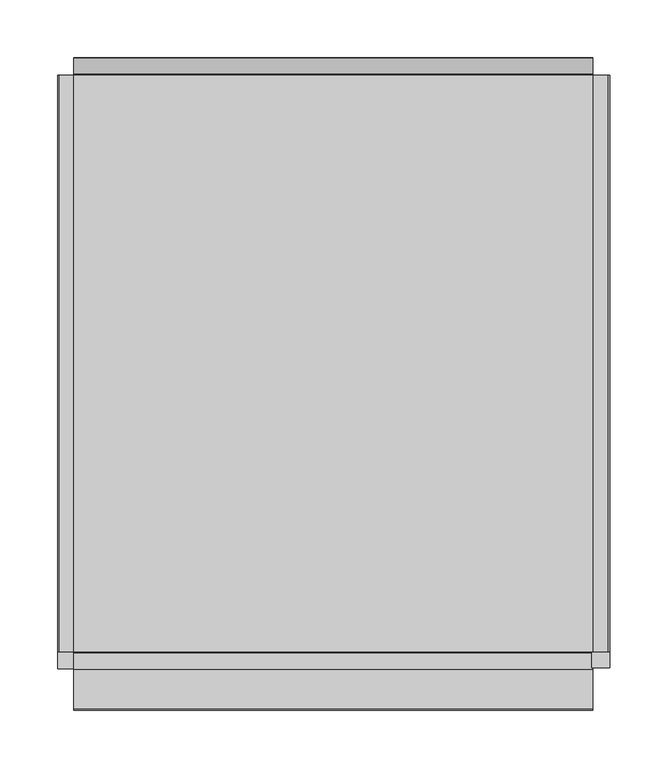
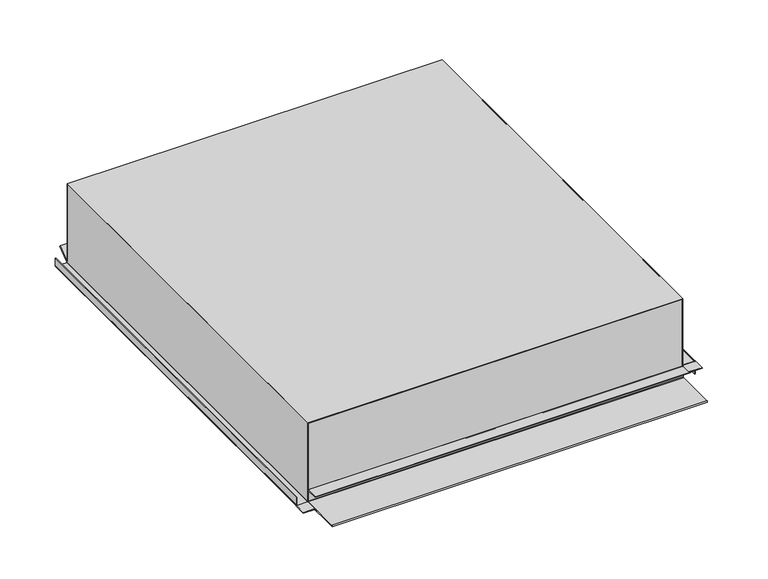
"""IFC4 building model written with IfcOpenShell, lengths in millimetres: proxy geometry."""

from ifc_helpers import new_model, si_unit, point, frame, frame_2d, origin, place, context, project, spatial, polyline, circle_curve, trimmed, segment, composite_curve, outline, extrude, faceted_brep, source, transform, mapped, element, save
from ifc_brep_helpers import plane_surface, cylinder_surface, revolved_surface, advanced_brep


def generic_models_c96e4109(model_context):
    return source(origin(), model_context, "Body", "SolidModel", [
        extrude(outline(composite_curve([segment(polyline([(0.33125, -237.7), (0.33125, -225.5)]), True, "CONTINUOUS"), segment(trimmed(circle_curve(frame_2d((1.63125, -225.5)), 1.3), [point((0.33125, -225.5))], [point((1.63125, -224.2))], False, "CARTESIAN"), True, "CONTINUOUS"), segment(polyline([(1.63125, -224.2), (100.33125, -224.2), (100.33125, -225.0), (1.63125, -225.0)]), True, "CONTINUOUS"), segment(trimmed(circle_curve(frame_2d((1.63125, -225.5)), 0.5), [point((1.63125, -225.0))], [point((1.13125, -225.5))], True, "CARTESIAN"), True, "CONTINUOUS"), segment(polyline([(1.13125, -225.5), (1.13125, -237.7)]), True, "CONTINUOUS"), segment(trimmed(circle_curve(frame_2d((1.63125, -237.7)), 0.5), [point((1.13125, -237.7))], [point((1.63125, -238.2))], True, "CARTESIAN"), True, "CONTINUOUS"), segment(polyline([(1.63125, -238.2), (11.33125, -238.2), (11.33125, -239.0), (1.63125, -239.0)]), True, "CONTINUOUS"), segment(trimmed(circle_curve(frame_2d((1.63125, -237.7)), 1.3), [point((1.63125, -239.0))], [point((0.33125, -237.7))], False, "CARTESIAN"), True, "CONTINUOUS")], self_intersect=False)), frame((0.0, -250.0, 0.0), z_axis=(0.0, 1.0, 0.0), x_axis=(0.0, 0.0, 1.0)), (0.0, 0.0, 1.0), 500.0),
        extrude(outline(polyline([(-239.0, -265.0), (-239.0, -250.0), (-224.2, -250.0), (-224.2, -265.0), (-239.0, -265.0)])), frame((0.0, 0.0, 0.33125), z_axis=(0.0, 0.0, 1.0), x_axis=(1.0, 0.0, 0.0)), (0.0, 0.0, 1.0), 0.8),
        extrude(outline(composite_curve([segment(polyline([(15.9, 225.5), (15.9, 238.7)]), True, "CONTINUOUS"), segment(trimmed(circle_curve(frame_2d((15.4, 238.7)), 0.5), [point((15.9, 238.7))], [point((15.4, 239.2))], True, "CARTESIAN"), True, "CONTINUOUS"), segment(polyline([(15.4, 239.2), (0.33125, 239.2), (0.33125, 240.0), (15.4, 240.0)]), True, "CONTINUOUS"), segment(trimmed(circle_curve(frame_2d((15.4, 238.7)), 1.3), [point((15.4, 240.0))], [point((16.7, 238.7))], False, "CARTESIAN"), True, "CONTINUOUS"), segment(polyline([(16.7, 238.7), (16.7, 225.5)]), True, "CONTINUOUS"), segment(trimmed(circle_curve(frame_2d((17.2, 225.5)), 0.5), [point((16.7, 225.5))], [point((17.2, 225.0))], True, "CARTESIAN"), True, "CONTINUOUS"), segment(polyline([(17.2, 225.0), (100.33125, 225.0), (100.33125, 224.2), (17.2, 224.2)]), True, "CONTINUOUS"), segment(trimmed(circle_curve(frame_2d((17.2, 225.5)), 1.3), [point((17.2, 224.2))], [point((15.9, 225.5))], False, "CARTESIAN"), True, "CONTINUOUS")], self_intersect=False)), frame((0.0, -250.0, 0.0), z_axis=(0.0, 1.0, 0.0), x_axis=(0.0, 0.0, 1.0)), (0.0, 0.0, 1.0), 500.0),
        extrude(outline(polyline([(240.0, -264.0), (224.2, -264.0), (224.2, -250.0), (240.0, -250.0), (240.0, -264.0)])), frame((0.0, 0.0, 15.9), z_axis=(0.0, 0.0, 1.0), x_axis=(1.0, 0.0, 0.0)), (0.0, 0.0, 1.0), 0.8),
        extrude(outline(composite_curve([segment(polyline([(-250.5, 0.0), (-300.15, 0.0)]), True, "CONTINUOUS"), segment(trimmed(circle_curve(frame_2d((-300.15, 0.85)), 0.85), [point((-300.15, 0.0))], [point((-300.15, 1.7))], False, "CARTESIAN"), True, "CONTINUOUS"), segment(polyline([(-300.15, 1.7), (-251.55, 1.7)]), True, "CONTINUOUS"), segment(trimmed(circle_curve(frame_2d((-251.55, 2.2)), 0.5), [point((-251.55, 1.7))], [point((-251.05, 2.2))], True, "CARTESIAN"), True, "CONTINUOUS"), segment(polyline([(-251.05, 2.2), (-251.05, 15.4)]), True, "CONTINUOUS"), segment(trimmed(circle_curve(frame_2d((-251.55, 15.4)), 0.5), [point((-251.05, 15.4))], [point((-251.55, 15.9))], True, "CARTESIAN"), True, "CONTINUOUS"), segment(polyline([(-251.55, 15.9), (-265.25, 15.9), (-265.25, 16.7), (-251.55, 16.7)]), True, "CONTINUOUS"), segment(trimmed(circle_curve(frame_2d((-251.55, 15.4)), 1.3), [point((-251.55, 16.7))], [point((-250.25, 15.4))], False, "CARTESIAN"), True, "CONTINUOUS"), segment(polyline([(-250.25, 15.4), (-250.25, 2.2)]), True, "CONTINUOUS"), segment(trimmed(circle_curve(frame_2d((-251.55, 2.2)), 1.3), [point((-250.25, 2.2))], [point((-251.55, 0.9))], False, "CARTESIAN"), True, "CONTINUOUS"), segment(polyline([(-251.55, 0.9), (-290.65, 0.9), (-250.5, 0.8)]), True, "CONTINUOUS"), segment(trimmed(circle_curve(frame_2d((-250.5, 1.3)), 0.5), [point((-250.5, 0.8))], [point((-250.0, 1.3))], True, "CARTESIAN"), True, "CONTINUOUS"), segment(polyline([(-250.0, 1.3), (-250.0, 100.0), (-249.2, 100.0), (-249.2, 1.3)]), True, "CONTINUOUS"), segment(trimmed(circle_curve(frame_2d((-250.5, 1.3)), 1.3), [point((-249.2, 1.3))], [point((-250.5, 0.0))], False, "CARTESIAN"), True, "CONTINUOUS")], self_intersect=False)), frame((-225.0, 0.0, 0.0), z_axis=(1.0, 0.0, 0.0), x_axis=(0.0, 1.0, 0.0)), (0.0, 0.0, 1.0), 450.0),
        advanced_brep(
        [(225.0, 250.0, 3.3), (225.0, 250.0, 100.0), (225.0, 249.2, 100.0), (225.0, 249.2, 3.3), (225.0, 251.4200663, 2.3815894), (225.0, 265.1302674, 12.712967), (225.0, 264.6488154, 13.3518754), (225.0, 250.8830222, 2.9786062), (-225.0, 250.0, 3.3), (-225.0, 250.8830222, 2.9786062), (-225.0, 264.6488154, 13.3518754), (-225.0, 265.1302674, 12.712967), (-225.0, 251.3644742, 2.3396978), (-225.0, 249.2, 3.3), (-225.0, 249.2, 100.0), (-225.0, 250.0, 100.0)],
        [
            (0, 1),
            (1, 2),
            (2, 3),
            (3, 4, circle_curve(frame((225.0, 250.5, 3.3), z_axis=(1.0, 0.0, 0.0), x_axis=(0.0, 1.0, 0.0)), 1.3)),
            (4, 5),
            (5, 6),
            (6, 7),
            (7, 0, circle_curve(frame((225.0, 250.5, 3.3), z_axis=(-1.0, 0.0, 0.0), x_axis=(0.0, 1.0, 0.0)), 0.5)),
            (8, 9, circle_curve(frame((-225.0, 250.5, 3.3), z_axis=(1.0, 0.0, 0.0), x_axis=(0.0, 1.0, 0.0)), 0.5)),
            (9, 10),
            (10, 11),
            (11, 12),
            (12, 13, circle_curve(frame((-225.0, 250.5, 3.3), z_axis=(-1.0, 0.0, 0.0), x_axis=(0.0, 1.0, 0.0)), 1.3)),
            (13, 14),
            (14, 15),
            (15, 8),
            (0, 8),
            (15, 1),
            (7, 9),
            (6, 10),
            (3, 13),
            (12, 4),
            (2, 14),
            (5, 11),
        ],
        [
            plane_surface(frame((225.0, 251.0, 3.3), z_axis=(1.0, 0.0, 0.0), x_axis=(0.0, 0.0, 1.0))),
            plane_surface(frame((-225.0, 251.0, 3.3), z_axis=(-1.0, 0.0, 0.0), x_axis=(0.0, 0.0, -1.0))),
            plane_surface(frame((225.0, 250.0, 100.0), z_axis=(0.0, 1.0, 0.0), x_axis=(-1.0, 0.0, 0.0))),
            revolved_surface(polyline([(-225.0, 251.0, 3.3), (225.0, 251.0, 3.3)]), (-225.0, 250.5, 3.3), (-1.0, 0.0, 0.0)),
            plane_surface(frame((225.0, 250.8830222, 2.9786062), z_axis=(0.0, -0.6018150231519699, 0.798635510047352), x_axis=(-1.0, 0.0, 0.0))),
            cylinder_surface(frame((-225.0, 250.5, 3.3), z_axis=(1.0, 0.0, 0.0), x_axis=(0.0, 1.0, 0.0)), 1.3),
            plane_surface(frame((225.0, 249.2, 3.3), z_axis=(0.0, -1.0, 0.0), x_axis=(-1.0, 0.0, 0.0))),
            plane_surface(frame((225.0, 249.2, 100.0), z_axis=(0.0, 0.0, 1.0), x_axis=(-1.0, 0.0, 0.0))),
            plane_surface(frame((225.0, 264.6488154, 13.3518754), z_axis=(0.0, 0.798635510047358, 0.6018150231519618), x_axis=(-1.0, 0.0, 0.0))),
            plane_surface(frame((225.0, 265.1302674, 12.712967), z_axis=(0.0, 0.6018150231519698, -0.798635510047352), x_axis=(-1.0, 0.0, 0.0))),
        ],
        [
            (0, [[1, 2, 3, 4, 5, 6, 7, 8]]),
            (1, [[9, 10, 11, 12, 13, 14, 15, 16]]),
            (2, [[17, -16, 18, -1]]),
            (3, [[19, -9, -17, -8]]),
            (4, [[20, -10, -19, -7]]),
            (5, [[21, -13, 22, -4]]),
            (6, [[23, -14, -21, -3]]),
            (7, [[-18, -15, -23, -2]]),
            (8, [[24, -11, -20, -6]]),
            (9, [[-22, -12, -24, -5]]),
        ],
    ),
        faceted_brep([(-225.0, -250.0, 101.0), (225.0, -250.0, 101.0), (225.0, 250.0, 101.0), (-225.0, 250.0, 101.0), (-225.0, -250.0, 100.0), (-225.0, -249.2, 100.0), (-225.0, 250.0, 100.0), (225.0, 250.0, 100.0), (225.0, -249.2, 100.0), (225.0, -250.0, 100.0)], [[[0, 1, 2, 3]], [[4, 5, 6, 7, 8, 9]], [[3, 6, 5, 4, 0]], [[2, 7, 6, 3]], [[1, 9, 8, 7, 2]], [[0, 4, 9, 1]]]),
    ])


if __name__ == "__main__":
    model = new_model("IFC4")
    model_context = context("Model", 3, world=origin())
    ifc_project = project(units=[si_unit("LENGTHUNIT", "METRE", prefix="MILLI")], contexts=[model_context])
    site = spatial("IfcSite", under=ifc_project)
    building = spatial("IfcBuilding", under=site)
    placement = place(None, origin())
    generic_models_shape = generic_models_c96e4109(model_context)
    element("IfcBuildingElementProxy", 1, Name="Generic Models", at=placement, inside=building, context=model_context, shape_type="MappedRepresentation", body=[
        mapped(generic_models_shape, transform((0.0, 0.0, 0.0), x_axis=(1.0, 0.0, 0.0), y_axis=(0.0, 1.0, 0.0), z_axis=(0.0, 0.0, 1.0))),
    ])
    save(model, "model.ifc")
